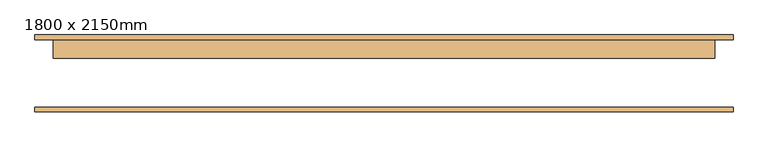
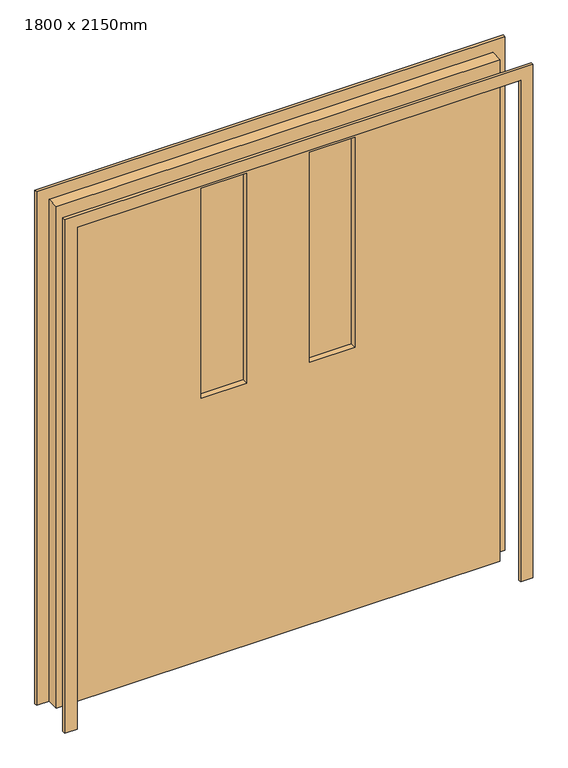
"""IFC4 building model written with IfcOpenShell, lengths in millimetres: door geometry, 1800 x 2150mm."""

from ifc_helpers import new_model, si_unit, frame, origin, place, context, project, spatial, polyline, outline, extrude, source, transform, mapped, element, save


def door_1800_x_2150mm_1bc7b8ca(model_context):
    return source(origin(), model_context, "Body", "SweptSolid", [
        extrude(outline(polyline([(0.0, 950.0), (2200.0, 950.0), (2200.0, -950.0), (0.0, -950.0), (0.0, -900.0), (2150.0, -900.0), (2150.0, 900.0), (0.0, 900.0), (0.0, 950.0)])), frame((0.0, -102.11875, 0.0), z_axis=(0.0, 1.0, 0.0), x_axis=(0.0, 0.0, 1.0)), (0.0, 0.0, 1.0), 12.5),
        extrude(outline(polyline([(2150.0, 900.0), (0.0, 900.0), (0.0, 950.0), (2200.0, 950.0), (2200.0, -950.0), (0.0, -950.0), (0.0, -900.0), (2150.0, -900.0), (2150.0, 900.0)])), frame((0.0, 94.38125, 0.0), z_axis=(0.0, 1.0, 0.0), x_axis=(0.0, 0.0, 1.0)), (0.0, 0.0, 1.0), 12.5),
        extrude(outline(polyline([(312.0, 68.98125), (127.0, 68.98125), (127.0, 76.125), (312.0, 76.125), (312.0, 68.98125)])), frame((0.0, 0.0, 1123.0), z_axis=(0.0, 0.0, 1.0), x_axis=(1.0, 0.0, 0.0)), (0.0, 0.0, 1.0), 900.0),
        extrude(outline(polyline([(-127.0, 68.98125), (-312.0, 68.98125), (-312.0, 76.125), (-127.0, 76.125), (-127.0, 68.98125)])), frame((0.0, 0.0, 1123.0), z_axis=(0.0, 0.0, 1.0), x_axis=(1.0, 0.0, 0.0)), (0.0, 0.0, 1.0), 900.0),
        extrude(outline(polyline([(2150.0, 900.0), (2150.0, -900.0), (0.0, -900.0), (0.0, 900.0), (2150.0, 900.0)]), holes=[polyline([(2023.0, -127.0), (1123.0, -127.0), (1123.0, -312.0), (2023.0, -312.0), (2023.0, -127.0)]), polyline([(2023.0, 312.0), (1123.0, 312.0), (1123.0, 127.0), (2023.0, 127.0), (2023.0, 312.0)])]), frame((0.0, 43.38125, 0.0), z_axis=(0.0, 1.0, 0.0), x_axis=(0.0, 0.0, 1.0)), (0.0, 0.0, 1.0), 51.0),
    ])


if __name__ == "__main__":
    model = new_model("IFC4")
    model_context = context("Model", 3, world=origin())
    ifc_project = project(units=[si_unit("LENGTHUNIT", "METRE", prefix="MILLI")], contexts=[model_context])
    site = spatial("IfcSite", under=ifc_project)
    building = spatial("IfcBuilding", under=site)
    placement = place(None, origin())
    door_1800_x_2150mm_shape = door_1800_x_2150mm_1bc7b8ca(model_context)
    element("IfcDoor", 1, ObjectType="1800 x 2150mm", at=placement, inside=building, context=model_context, shape_type="MappedRepresentation", body=[
        mapped(door_1800_x_2150mm_shape, transform((0.0, 0.0, 0.0), x_axis=(1.0, 0.0, 0.0), y_axis=(0.0, 1.0, 0.0), z_axis=(0.0, 0.0, 1.0))),
    ])
    save(model, "model.ifc")
